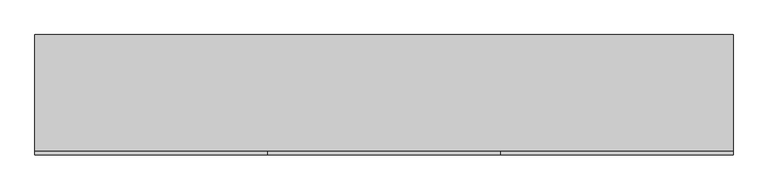
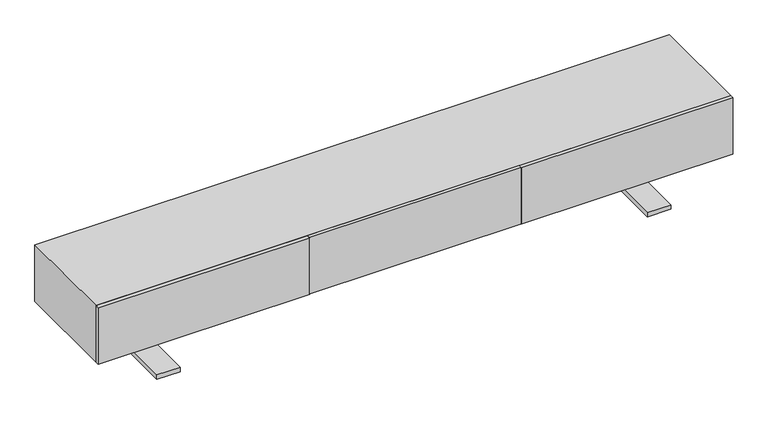
"""IFC4 building model written with IfcOpenShell, lengths in millimetres: furniture geometry."""

from ifc_helpers import new_model, si_unit, frame, origin, place, context, project, spatial, polyline, outline, extrude, faceted_brep, source, transform, mapped, element, save


def furniture_01e1dbb7(model_context):
    return source(origin(), model_context, "Body", "SolidModel", [
        extrude(outline(polyline([(448.8027865, -225.425), (448.8027865, -240.42624), (-449.4576302, -240.42624), (-449.4576302, -225.425), (448.8027865, -225.425)])), frame((0.0, 0.0, 165.1), z_axis=(0.0, 0.0, 1.0), x_axis=(1.0, 0.0, 0.0)), (0.0, 0.0, 1.0), 254.0),
        faceted_brep([(-1051.4962619, -54.3141225, 165.1), (-1032.4462619, -54.3141225, 165.1), (-1032.4462619, -13.8140652, 165.1), (1031.7914181, -13.8140652, 165.1), (1031.7914181, -54.3141225, 165.1), (1050.8414181, -54.3141225, 165.1), (1050.8414181, 43.6910418, 165.1), (1031.7914181, 43.6910418, 165.1), (1031.7914181, 5.4884, 165.1), (-1032.4462619, 5.4884, 165.1), (-1032.4462619, 43.6910418, 165.1), (-1051.4962619, 43.6910418, 165.1), (-1051.4962619, -54.3141225, 19.8859728), (-1032.4462619, -54.3141225, 19.8859728), (-1032.4462619, -13.8140652, 19.8859728), (-993.9962106, -13.8140652, 114.3), (993.3413668, -13.8140652, 114.3), (993.3413668, -13.8140652, 19.8859728), (1031.7914181, -13.8140652, 19.8859728), (-993.9962106, -13.8140652, 19.8859728), (-993.9962106, 5.4884, 114.3), (-993.9962106, -228.6040836, 19.8859728), (-993.9962106, -228.6040836, 0.0), (-993.9962106, 219.9758393, 0.0), (-993.9962106, 219.9758393, 19.8859728), (-993.9962106, 5.4884, 19.8859728), (993.3413668, 5.4884, 114.3), (-1032.4462619, 5.4884, 19.8859728), (1031.7914181, 5.4884, 19.8859728), (993.3413668, 5.4884, 19.8859728), (-1032.4462619, 43.6910418, 19.8859728), (-1051.4962619, 43.6910418, 19.8859728), (1031.7914181, -54.3141225, 19.8859728), (1050.8414181, -54.3141225, 19.8859728), (993.3413668, 219.9758393, 19.8859728), (993.3413668, 219.9758393, 0.0), (993.3413668, -228.6040836, 0.0), (993.3413668, -228.6040836, 19.8859728), (1031.7914181, 43.6910418, 19.8859728), (1050.8414181, 43.6910418, 19.8859728), (-1092.9962724, 219.9758393, 19.8859728), (-1092.9962724, -228.6040836, 19.8859728), (-1092.9962724, -228.6040836, 0.0), (-1092.9962724, 219.9758393, 0.0), (1092.3414286, -228.6040836, 19.8859728), (1092.3414286, 219.9758393, 19.8859728), (1092.3414286, 219.9758393, 0.0), (1092.3414286, -228.6040836, 0.0)], [[[0, 1, 2, 3, 4, 5, 6, 7, 8, 9, 10, 11]], [[1, 0, 12, 13]], [[2, 1, 13, 14]], [[15, 16, 17, 18, 3, 2, 14, 19]], [[20, 15, 19, 21, 22, 23, 24, 25]], [[26, 20, 25, 27, 9, 8, 28, 29]], [[10, 9, 27, 30]], [[11, 10, 30, 31]], [[0, 11, 31, 12]], [[20, 26, 16, 15]], [[5, 4, 32, 33]], [[4, 3, 18, 32]], [[26, 29, 34, 35, 36, 37, 17, 16]], [[8, 7, 38, 28]], [[7, 6, 39, 38]], [[6, 5, 33, 39]], [[24, 40, 41, 21, 19, 14, 13, 12, 31, 30, 27, 25]], [[23, 22, 42, 43]], [[40, 24, 23, 43]], [[41, 40, 43, 42]], [[21, 41, 42, 22]], [[37, 44, 45, 34, 29, 28, 38, 39, 33, 32, 18, 17]], [[35, 46, 47, 36]], [[34, 45, 46, 35]], [[45, 44, 47, 46]], [[44, 37, 36, 47]]]),
        extrude(outline(polyline([(1349.375, -225.425), (1349.375, -240.42624), (451.1145833, -240.42624), (451.1145833, -225.425), (1349.375, -225.425)])), frame((0.0, 0.0, 165.1), z_axis=(0.0, 0.0, 1.0), x_axis=(1.0, 0.0, 0.0)), (0.0, 0.0, 1.0), 254.0),
        extrude(outline(polyline([(-451.1145833, -225.425), (-451.1145833, -240.42624), (-1349.375, -240.42624), (-1349.375, -225.425), (-451.1145833, -225.425)])), frame((0.0, 0.0, 165.1), z_axis=(0.0, 0.0, 1.0), x_axis=(1.0, 0.0, 0.0)), (0.0, 0.0, 1.0), 254.0),
        extrude(outline(polyline([(1349.375, 225.425), (1349.375, -225.425), (-1349.375, -225.425), (-1349.375, 225.425), (1349.375, 225.425)])), frame((0.0, 0.0, 165.1), z_axis=(0.0, 0.0, 1.0), x_axis=(1.0, 0.0, 0.0)), (0.0, 0.0, 1.0), 254.0),
    ])


if __name__ == "__main__":
    model = new_model("IFC4")
    model_context = context("Model", 3, world=origin())
    ifc_project = project(units=[si_unit("LENGTHUNIT", "METRE", prefix="MILLI")], contexts=[model_context])
    site = spatial("IfcSite", under=ifc_project)
    building = spatial("IfcBuilding", under=site)
    placement = place(None, origin())
    furniture_shape = furniture_01e1dbb7(model_context)
    element("IfcFurniture", 1, at=placement, inside=building, context=model_context, shape_type="MappedRepresentation", body=[
        mapped(furniture_shape, transform((0.0, 0.0, 0.0), x_axis=(1.0, 0.0, 0.0), y_axis=(0.0, 1.0, 0.0), z_axis=(0.0, 0.0, 1.0))),
    ])
    save(model, "model.ifc")
